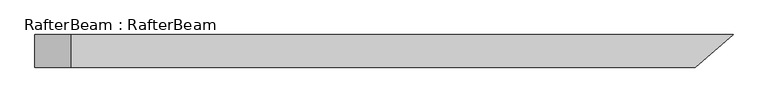
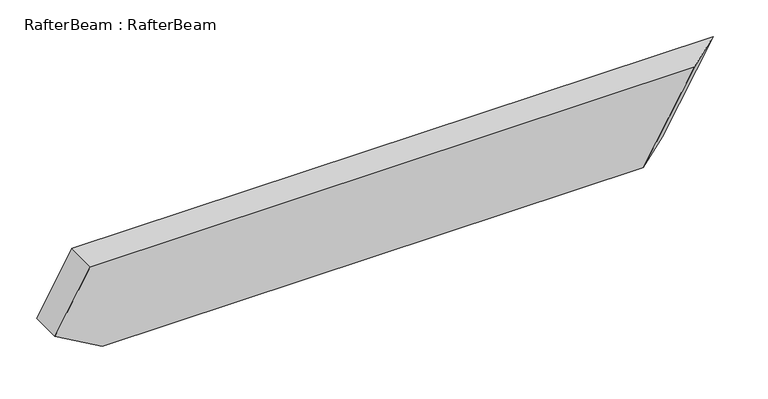
"""IFC4 building model written with IfcOpenShell, lengths in millimetres: beam geometry, RafterBeam : RafterBeam."""

from ifc_helpers import new_model, si_unit, origin, place, context, project, spatial, faceted_brep, source, transform, mapped, element, save


def rafterbeam_rafterbeam_50de65f3(model_context):
    return source(origin(), model_context, "Body", "Brep", [
        faceted_brep([(500.7079657, 25.0, 70.0), (-512.3983639, 25.0, 70.0), (-512.3983639, -25.0, 70.0), (442.439104, -25.0, 70.0), (361.6100664, -25.0, -70.0), (-493.2274016, -25.0, -70.0), (-493.2274016, 25.0, -70.0), (419.878928, 25.0, -70.0), (-568.2274016, -25.0, -26.6987298), (-568.2274016, 25.0, -26.6987298)], [[[0, 1, 2, 3]], [[4, 5, 6, 7]], [[3, 2, 8, 5, 4]], [[7, 6, 9, 1, 0]], [[0, 3, 4, 7]], [[1, 9, 8, 2]], [[5, 8, 9, 6]]]),
    ])


if __name__ == "__main__":
    model = new_model("IFC4")
    model_context = context("Model", 3, world=origin())
    ifc_project = project(units=[si_unit("LENGTHUNIT", "METRE", prefix="MILLI")], contexts=[model_context])
    site = spatial("IfcSite", under=ifc_project)
    building = spatial("IfcBuilding", under=site)
    placement = place(None, origin())
    rafterbeam_rafterbeam_shape = rafterbeam_rafterbeam_50de65f3(model_context)
    element("IfcBeam", 1, ObjectType="RafterBeam : RafterBeam", at=placement, inside=building, context=model_context, shape_type="MappedRepresentation", body=[
        mapped(rafterbeam_rafterbeam_shape, transform((0.0, 0.0, 0.0), x_axis=(1.0, 0.0, 0.0), y_axis=(0.0, 1.0, 0.0), z_axis=(0.0, 0.0, 1.0))),
    ])
    save(model, "model.ifc")
